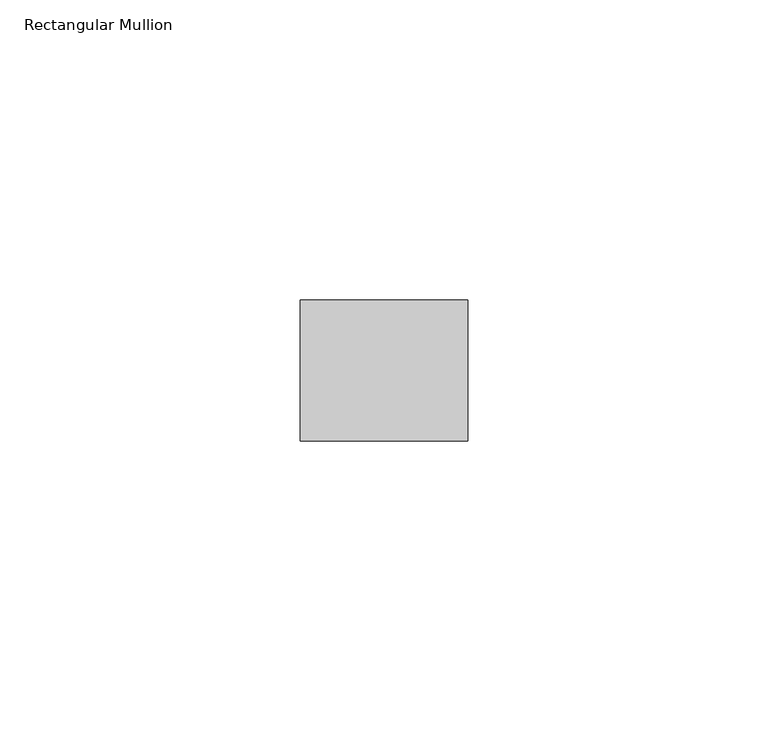
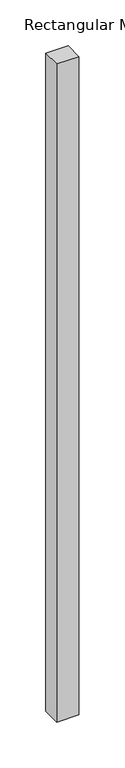
"""IFC4 building model written with IfcOpenShell, lengths in millimetres: member geometry, Rectangular Mullion."""

from ifc_helpers import new_model, si_unit, frame, origin, place, context, project, spatial, polyline, outline, extrude, source, transform, mapped, element, save


def rectangular_mullion_50bf4c06(model_context):
    return source(origin(), model_context, "Body", "SweptSolid", [
        extrude(outline(polyline([(0.0, -11.7474999), (-27.94, -11.7474999), (-27.94, 11.7474999), (0.0, 11.7474999), (0.0, -11.7474999)])), frame((0.0, 0.0, -876.3), z_axis=(0.0, 0.0, 1.0), x_axis=(1.0, 0.0, 0.0)), (0.0, 0.0, 1.0), 876.3),
    ])


if __name__ == "__main__":
    model = new_model("IFC4")
    model_context = context("Model", 3, world=origin())
    ifc_project = project(units=[si_unit("LENGTHUNIT", "METRE", prefix="MILLI")], contexts=[model_context])
    site = spatial("IfcSite", under=ifc_project)
    building = spatial("IfcBuilding", under=site)
    placement = place(None, origin())
    rectangular_mullion_shape = rectangular_mullion_50bf4c06(model_context)
    element("IfcMember", 1, ObjectType="Rectangular Mullion", at=placement, inside=building, context=model_context, shape_type="MappedRepresentation", body=[
        mapped(rectangular_mullion_shape, transform((0.0, 0.0, 0.0), x_axis=(1.0, 0.0, 0.0), y_axis=(0.0, 1.0, 0.0), z_axis=(0.0, 0.0, 1.0))),
    ])
    save(model, "model.ifc")
